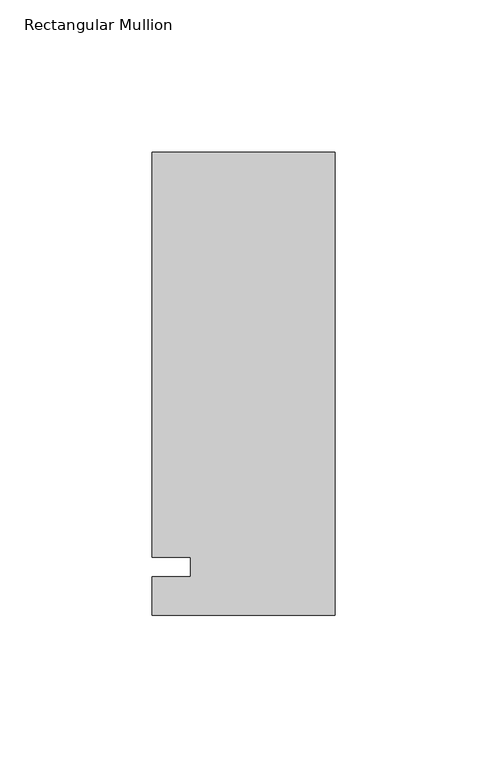
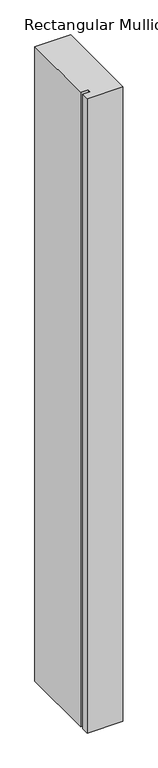
"""IFC4 building model written with IfcOpenShell, lengths in millimetres: member geometry, Rectangular Mullion."""

from ifc_helpers import new_model, si_unit, frame, origin, place, context, project, spatial, polyline, outline, extrude, source, transform, mapped, element, save


def rectangular_mullion_4028c758(model_context):
    return source(origin(), model_context, "Body", "SweptSolid", [
        extrude(outline(polyline([(-60.325, 136.525), (0.0, 136.525), (0.0, -15.875), (-60.325, -15.875), (-60.325, -3.175), (-47.6232296, -3.175), (-47.6232296, 3.175), (-60.325, 3.175), (-60.325, 136.525)])), frame((0.0, 0.0, -1130.3), z_axis=(0.0, 0.0, 1.0), x_axis=(1.0, 0.0, 0.0)), (0.0, 0.0, 1.0), 1130.3),
    ])


if __name__ == "__main__":
    model = new_model("IFC4")
    model_context = context("Model", 3, world=origin())
    ifc_project = project(units=[si_unit("LENGTHUNIT", "METRE", prefix="MILLI")], contexts=[model_context])
    site = spatial("IfcSite", under=ifc_project)
    building = spatial("IfcBuilding", under=site)
    placement = place(None, origin())
    rectangular_mullion_shape = rectangular_mullion_4028c758(model_context)
    element("IfcMember", 1, ObjectType="Rectangular Mullion", at=placement, inside=building, context=model_context, shape_type="MappedRepresentation", body=[
        mapped(rectangular_mullion_shape, transform((0.0, 0.0, 0.0), x_axis=(1.0, 0.0, 0.0), y_axis=(0.0, 1.0, 0.0), z_axis=(0.0, 0.0, 1.0))),
    ])
    save(model, "model.ifc")
